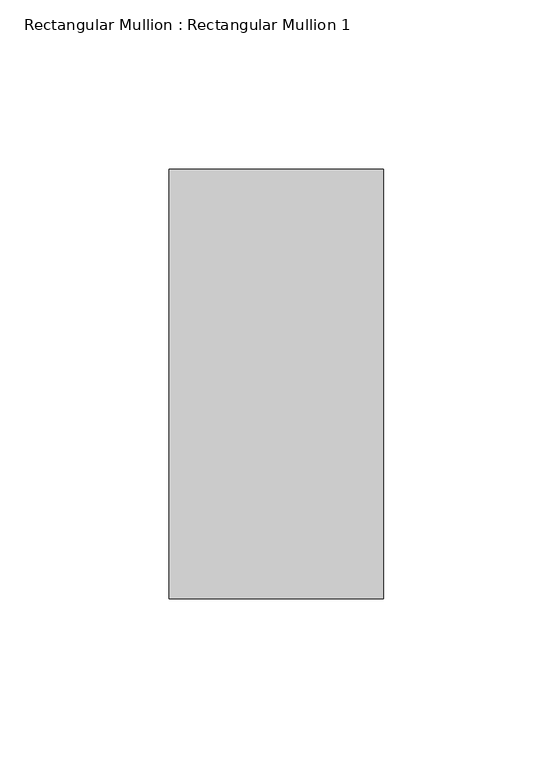
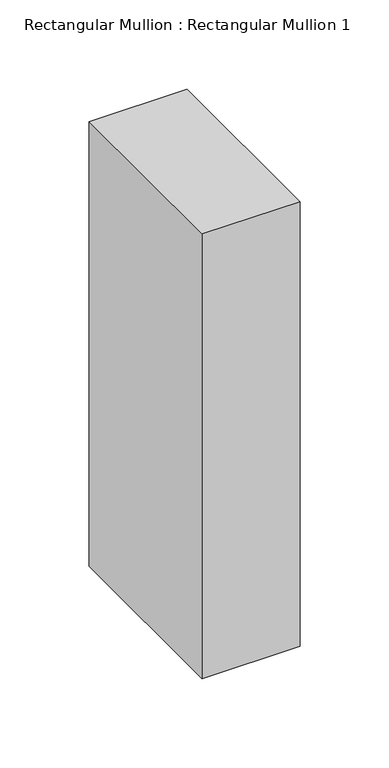
"""IFC4 building model written with IfcOpenShell, lengths in millimetres: member geometry, Rectangular Mullion : Rectangular Mullion 1."""

from ifc_helpers import new_model, si_unit, frame, origin, place, context, project, spatial, polyline, outline, extrude, source, transform, mapped, element, save


def rectangular_mullion_rectangular_mullion_1_75d1e245(model_context):
    return source(origin(), model_context, "Body", "SweptSolid", [
        extrude(outline(polyline([(31.75, 63.5), (31.75, -63.5), (-31.75, -63.5), (-31.75, 63.5), (31.75, 63.5)])), frame((0.0, 0.0, -304.8), z_axis=(0.0, 0.0, 1.0), x_axis=(1.0, 0.0, 0.0)), (0.0, 0.0, 1.0), 304.8),
    ])


if __name__ == "__main__":
    model = new_model("IFC4")
    model_context = context("Model", 3, world=origin())
    ifc_project = project(units=[si_unit("LENGTHUNIT", "METRE", prefix="MILLI")], contexts=[model_context])
    site = spatial("IfcSite", under=ifc_project)
    building = spatial("IfcBuilding", under=site)
    placement = place(None, origin())
    rectangular_mullion_rectangular_mullion_1_shape = rectangular_mullion_rectangular_mullion_1_75d1e245(model_context)
    element("IfcMember", 1, ObjectType="Rectangular Mullion : Rectangular Mullion 1", at=placement, inside=building, context=model_context, shape_type="MappedRepresentation", body=[
        mapped(rectangular_mullion_rectangular_mullion_1_shape, transform((0.0, 0.0, 0.0), x_axis=(1.0, 0.0, 0.0), y_axis=(0.0, 1.0, 0.0), z_axis=(0.0, 0.0, 1.0))),
    ])
    save(model, "model.ifc")
